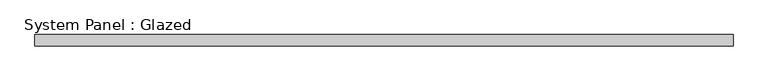
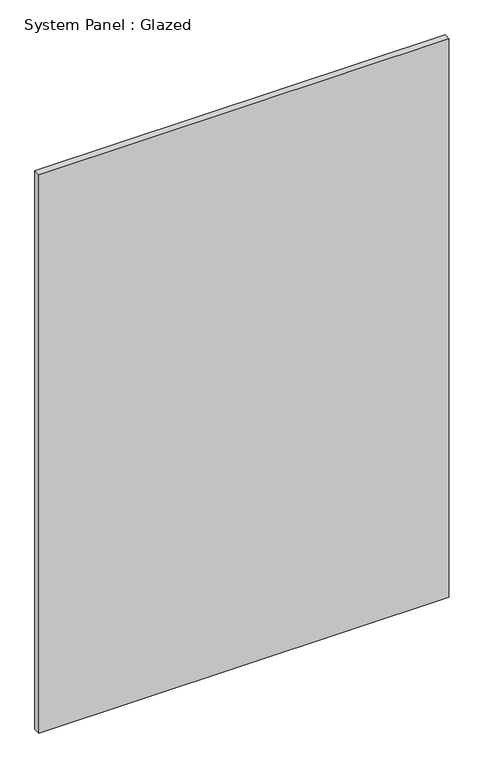
"""IFC4 building model written with IfcOpenShell, lengths in millimetres: plate geometry, System Panel : Glazed."""

from ifc_helpers import new_model, si_unit, origin, origin_with_axes, place, context, project, spatial, polyline, outline, extrude, source, transform, mapped, element, save


def system_panel_glazed_1b28b414(model_context):
    return source(origin(), model_context, "Body", "SweptSolid", [
        extrude(outline(polyline([(781.562846, 24.5), (-781.562846, 24.5), (-781.562846, 49.5), (781.562846, 49.5), (781.562846, 24.5)])), origin_with_axes(), (0.0, 0.0, 1.0), 2250.0),
    ])


if __name__ == "__main__":
    model = new_model("IFC4")
    model_context = context("Model", 3, world=origin())
    ifc_project = project(units=[si_unit("LENGTHUNIT", "METRE", prefix="MILLI")], contexts=[model_context])
    site = spatial("IfcSite", under=ifc_project)
    building = spatial("IfcBuilding", under=site)
    placement = place(None, origin())
    system_panel_glazed_shape = system_panel_glazed_1b28b414(model_context)
    element("IfcPlate", 1, ObjectType="System Panel : Glazed", at=placement, inside=building, context=model_context, shape_type="MappedRepresentation", body=[
        mapped(system_panel_glazed_shape, transform((0.0, 0.0, 0.0), x_axis=(1.0, 0.0, 0.0), y_axis=(0.0, 1.0, 0.0), z_axis=(0.0, 0.0, 1.0))),
    ])
    save(model, "model.ifc")
